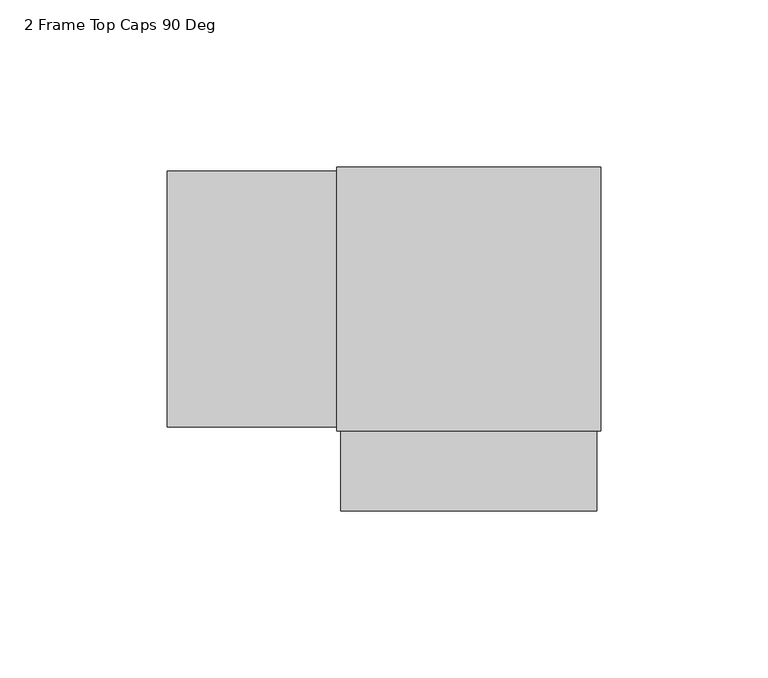
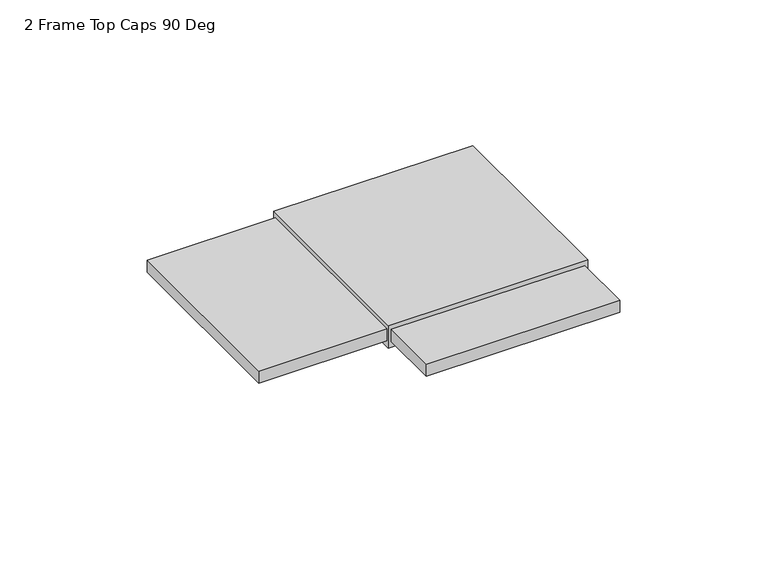
"""IFC4 building model written with IfcOpenShell, lengths in millimetres: furniture geometry, 2 Frame Top Caps 90 Deg."""

from ifc_helpers import new_model, si_unit, frame, origin, place, context, project, spatial, polyline, outline, extrude, source, transform, mapped, element, save


def furniture_2_frame_top_caps_90_deg_2fb20f71(model_context):
    return source(origin(), model_context, "Body", "SweptSolid", [
        extrude(outline(polyline([(0.7874, -102.603303), (0.7874, -78.6002986), (77.4192025, -78.6002986), (77.4192025, -102.603303), (0.7874, -102.603303)])), frame((0.0, 0.0, 704.088), z_axis=(0.0, 0.0, 1.0), x_axis=(1.0, 0.0, 0.0)), (0.0, 0.0, 1.0), 5.0799997),
        extrude(outline(polyline([(-0.3937, -0.7874), (-0.3937, -77.4192025), (-51.1937002, -77.4192025), (-51.1937002, -0.7874), (-0.3937, -0.7874)])), frame((0.0, 0.0, 704.088), z_axis=(0.0, 0.0, 1.0), x_axis=(1.0, 0.0, 0.0)), (0.0, 0.0, 1.0), 5.0799997),
        extrude(outline(polyline([(78.6002986, 0.3937), (78.6002986, -78.6002986), (-0.3937, -78.6002986), (-0.3937, 0.3937), (78.6002986, 0.3937)])), frame((0.0, 0.0, 701.675), z_axis=(0.0, 0.0, 1.0), x_axis=(1.0, 0.0, 0.0)), (0.0, 0.0, 1.0), 9.525),
    ])


if __name__ == "__main__":
    model = new_model("IFC4")
    model_context = context("Model", 3, world=origin())
    ifc_project = project(units=[si_unit("LENGTHUNIT", "METRE", prefix="MILLI")], contexts=[model_context])
    site = spatial("IfcSite", under=ifc_project)
    building = spatial("IfcBuilding", under=site)
    placement = place(None, origin())
    furniture_2_frame_top_caps_90_deg_shape = furniture_2_frame_top_caps_90_deg_2fb20f71(model_context)
    element("IfcFurniture", 1, ObjectType="2 Frame Top Caps 90 Deg", at=placement, inside=building, context=model_context, shape_type="MappedRepresentation", body=[
        mapped(furniture_2_frame_top_caps_90_deg_shape, transform((0.0, 0.0, 0.0), x_axis=(1.0, 0.0, 0.0), y_axis=(0.0, 1.0, 0.0), z_axis=(0.0, 0.0, 1.0))),
    ])
    save(model, "model.ifc")
